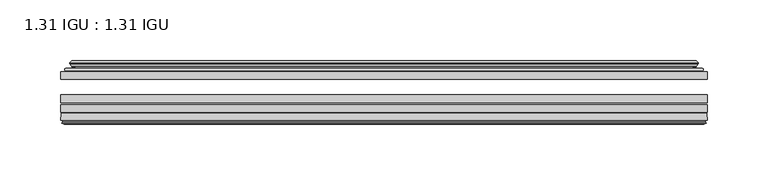
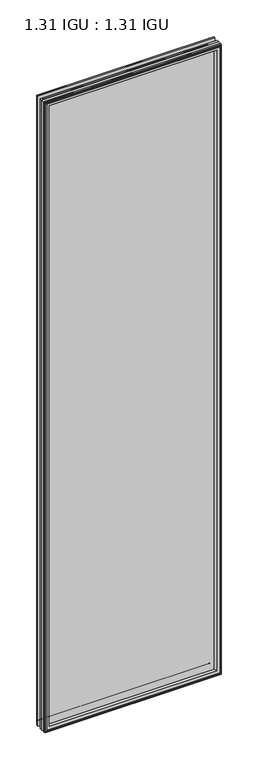
"""IFC4 building model written with IfcOpenShell, lengths in millimetres: plate geometry, 1.31 IGU : 1.31 IGU."""

from ifc_helpers import new_model, si_unit, frame, origin, place, context, project, spatial, polyline, ellipse_curve, outline, extrude, source, transform, mapped, element, save
from ifc_brep_helpers import plane_surface, cylinder_surface, revolved_surface, advanced_brep


def plate_1_31_igu_1_31_igu_19c1f340(model_context):
    return source(origin(), model_context, "Body", "SolidModel", [
        extrude(outline(polyline([(267.1382432, -51.7723437), (267.1382432, -58.1223438), (-267.20519, -58.1223438), (-267.20519, -51.7723437), (267.1382432, -51.7723437)])), frame((0.0, 0.0, -14.2875), z_axis=(0.0, 0.0, 1.0), x_axis=(1.0, 0.0, 0.0)), (0.0, 0.0, 1.0), 2010.3739057),
        extrude(outline(polyline([(-267.20519, -85.4273438), (-267.20519, -79.0773437), (267.1382432, -79.0773437), (267.1382432, -85.4273438), (-267.20519, -85.4273438)])), frame((0.0, 0.0, -14.2875), z_axis=(0.0, 0.0, 1.0), x_axis=(1.0, 0.0, 0.0)), (0.0, 0.0, 1.0), 2010.3739057),
        extrude(outline(polyline([(-267.20519, -77.1723438), (-267.20519, -70.8223438), (267.1382432, -70.8223438), (267.1382432, -77.1723438), (-267.20519, -77.1723438)])), frame((0.0, 0.0, -14.2875), z_axis=(0.0, 0.0, 1.0), x_axis=(1.0, 0.0, 0.0)), (0.0, 0.0, 1.0), 2010.3739057),
        advanced_brep(
        [(-267.21789, -91.7773437, 1996.0991057), (-266.5231062, -86.1187838, 1995.4043219), (-266.5231062, -86.1187838, -13.6054162), (-267.21789, -91.7773437, -14.3002), (-264.83029, -93.768408, 1993.7115057), (-265.28749, -91.7773437, 1994.1687057), (-265.28749, -91.7773437, -12.3698), (-264.83029, -93.768408, -11.9126), (-265.8316518, -93.5000939, 1994.7128676), (-265.8316518, -93.5000939, -12.9139619), (-266.07489, -94.407871, 1994.9561057), (-266.07489, -94.407871, -13.1572), (-264.04289, -94.9523437, 1992.9241057), (-264.04289, -94.9523437, -11.1252), (-262.01089, -94.407871, 1990.8921057), (-262.01089, -94.407871, -9.0932), (-262.2541281, -93.5000939, 1991.1353439), (-262.2541281, -93.5000939, -9.3364381), (-263.25549, -93.768408, 1992.1367057), (-263.25549, -93.768408, -10.3378), (-262.79829, -91.7773437, 1991.6795057), (-262.79829, -91.7773437, -9.8806), (-248.7286686, -85.4273437, 1977.6098843), (-252.91769, -91.7773437, 1981.7989057), (-252.91769, -91.7773437, 0.0), (-248.7286686, -85.4273437, 4.1890214), (-265.7415754, -85.4273437, 1994.6227911), (-265.7415754, -85.4273437, -12.8238854), (266.5231062, -86.1187838, -13.6054162), (267.21789, -91.7773437, -14.3002), (265.28749, -91.7773437, -12.3698), (264.83029, -93.768408, -11.9126), (265.8316518, -93.5000939, -12.9139619), (266.07489, -94.407871, -13.1572), (264.04289, -94.9523437, -11.1252), (262.01089, -94.407871, -9.0932), (262.2541281, -93.5000939, -9.3364381), (263.25549, -93.768408, -10.3378), (262.79829, -91.7773437, -9.8806), (252.91769, -91.7773437, 0.0), (248.7286686, -85.4273437, 4.1890214), (265.7415754, -85.4273437, -12.8238854), (266.5231062, -86.1187838, 1995.4043219), (267.21789, -91.7773437, 1996.0991057), (265.28749, -91.7773437, 1994.1687057), (264.83029, -93.768408, 1993.7115057), (265.8316518, -93.5000939, 1994.7128676), (266.07489, -94.407871, 1994.9561057), (264.04289, -94.9523437, 1992.9241057), (262.01089, -94.407871, 1990.8921057), (262.2541281, -93.5000939, 1991.1353439), (263.25549, -93.768408, 1992.1367057), (262.79829, -91.7773437, 1991.6795057), (252.91769, -91.7773437, 1981.7989057), (248.7286686, -85.4273437, 1977.6098843), (265.7415754, -85.4273437, 1994.6227911)],
        [
            (0, 1),
            (1, 2),
            (2, 3),
            (3, 0),
            (4, 5),
            (5, 6),
            (6, 7),
            (7, 4),
            (8, 4),
            (7, 9),
            (9, 8),
            (10, 8),
            (9, 11),
            (11, 10),
            (12, 10),
            (11, 13),
            (13, 12),
            (14, 12),
            (13, 15),
            (15, 14),
            (16, 14),
            (15, 17),
            (17, 16),
            (18, 16),
            (17, 19),
            (19, 18),
            (20, 18),
            (19, 21),
            (21, 20),
            (22, 23, ellipse_curve(frame((-245.933796, -91.8278132, 1974.8150118), z_axis=(0.7071067811865475, 0.0, 0.7071067811865475), x_axis=(0.7071067811865474, 0.0, -0.7071067811865476)), 9.8769754, 6.9840763)),
            (23, 24),
            (24, 25, ellipse_curve(frame((-245.933796, -91.8278132, 6.983894), z_axis=(0.7071067811865475, 0.0, -0.7071067811865475), x_axis=(-0.7071067811865474, 0.0, -0.7071067811865476)), 9.8769754, 6.9840763)),
            (25, 22),
            (1, 26, ellipse_curve(frame((-265.7415754, -86.2147437, 1994.6227911), z_axis=(-0.7071067811865475, 0.0, -0.7071067811865475), x_axis=(-0.7071067811865474, 0.0, 0.7071067811865476)), 1.1135518, 0.7874)),
            (26, 27),
            (27, 2, ellipse_curve(frame((-265.7415754, -86.2147437, -12.8238854), z_axis=(-0.7071067811865475, 0.0, 0.7071067811865475), x_axis=(0.7071067811865474, 0.0, 0.7071067811865476)), 1.1135518, 0.7874)),
            (2, 28),
            (28, 29),
            (29, 3),
            (6, 30),
            (30, 31),
            (31, 7),
            (31, 32),
            (32, 9),
            (32, 33),
            (33, 11),
            (33, 34),
            (34, 13),
            (34, 35),
            (35, 15),
            (35, 36),
            (36, 17),
            (36, 37),
            (37, 19),
            (37, 38),
            (38, 21),
            (24, 39),
            (39, 40, ellipse_curve(frame((245.933796, -91.8278132, 6.983894), z_axis=(0.7071067811865475, 0.0, 0.7071067811865475), x_axis=(0.7071067811865476, 0.0, -0.7071067811865474)), 9.8769754, 6.9840763)),
            (40, 25),
            (27, 41),
            (41, 28, ellipse_curve(frame((265.7415754, -86.2147437, -12.8238854), z_axis=(-0.7071067811865475, 0.0, -0.7071067811865475), x_axis=(-0.7071067811865476, 0.0, 0.7071067811865474)), 1.1135518, 0.7874)),
            (28, 42),
            (42, 43),
            (43, 29),
            (30, 44),
            (44, 45),
            (45, 31),
            (45, 46),
            (46, 32),
            (46, 47),
            (47, 33),
            (47, 48),
            (48, 34),
            (48, 49),
            (49, 35),
            (49, 50),
            (50, 36),
            (50, 51),
            (51, 37),
            (51, 52),
            (52, 38),
            (39, 53),
            (53, 54, ellipse_curve(frame((245.933796, -91.8278132, 1974.8150118), z_axis=(-0.7071067811865475, 0.0, 0.7071067811865475), x_axis=(0.7071067811865474, 0.0, 0.7071067811865476)), 9.8769754, 6.9840763)),
            (54, 40),
            (41, 55),
            (55, 42, ellipse_curve(frame((265.7415754, -86.2147437, 1994.6227911), z_axis=(0.7071067811865475, 0.0, -0.7071067811865475), x_axis=(-0.7071067811865474, 0.0, -0.7071067811865476)), 1.1135518, 0.7874)),
            (42, 1),
            (0, 43),
            (5, 44),
            (4, 45),
            (8, 46),
            (10, 47),
            (12, 48),
            (14, 49),
            (16, 50),
            (18, 51),
            (20, 52),
            (23, 53),
            (22, 54),
            (26, 55),
        ],
        [
            plane_surface(frame((-266.5231062, -86.1187838, 1995.4043219), z_axis=(-0.9925461516413241, 0.12186934340513103, 0.0), x_axis=(0.0, 0.0, -1.0))),
            plane_surface(frame((-265.28749, -91.7773437, 1994.1687057), z_axis=(-0.9746347637895992, -0.22380142361654515, 0.0), x_axis=(0.0, 0.0, -1.0))),
            plane_surface(frame((-264.83029, -93.768408, 1993.7115057), z_axis=(0.2588190451026678, 0.9659258262890289, 0.0), x_axis=(0.0, 0.0, -1.0))),
            plane_surface(frame((-265.8316518, -93.5000939, 1994.7128676), z_axis=(-0.9659258262890449, 0.2588190451026082, 0.0), x_axis=(0.0, 0.0, -1.0))),
            plane_surface(frame((-266.07489, -94.407871, 1994.9561057), z_axis=(-0.25881904510250453, -0.9659258262890728, 0.0), x_axis=(0.0, 0.0, -1.0))),
            plane_surface(frame((-264.04289, -94.9523437, 1992.9241057), z_axis=(0.25881904510247905, -0.9659258262890795, 0.0), x_axis=(0.0, 0.0, -1.0))),
            plane_surface(frame((-262.01089, -94.407871, 1990.8921057), z_axis=(0.9659258262890272, 0.2588190451026741, 0.0), x_axis=(0.0, 0.0, -1.0))),
            plane_surface(frame((-262.2541281, -93.5000939, 1991.1353439), z_axis=(-0.2588190451023418, 0.9659258262891163, 0.0), x_axis=(0.0, 0.0, -1.0))),
            plane_surface(frame((-263.25549, -93.768408, 1992.1367057), z_axis=(0.9746347637895937, -0.22380142361656946, 0.0), x_axis=(0.0, 0.0, -1.0))),
            revolved_surface(polyline([(-252.9178723, -91.8278132, -0.00018228295266453642), (-252.9178723, -91.8278132, 1981.7990880829527)]), (-245.933796, -91.8278132, 2013.5489057), (0.0, 0.0, -1.0)),
            cylinder_surface(frame((-265.7415754, -86.2147437, 2013.5489057), z_axis=(0.0, 0.0, 1.0), x_axis=(-1.0, 0.0, 0.0)), 0.7874),
            plane_surface(frame((-266.5231062, -86.1187838, -13.6054162), z_axis=(0.0, 0.12186934340512784, -0.9925461516413245), x_axis=(1.0, 0.0, 0.0))),
            plane_surface(frame((-265.28749, -91.7773437, -12.3698), z_axis=(0.0, -0.22380142361654828, -0.9746347637895986), x_axis=(1.0, 0.0, 0.0))),
            plane_surface(frame((-264.83029, -93.768408, -11.9126), z_axis=(0.0, 0.9659258262890298, 0.25881904510266474), x_axis=(1.0, 0.0, 0.0))),
            plane_surface(frame((-265.8316518, -93.5000939, -12.9139619), z_axis=(0.0, 0.2588190451026051, -0.9659258262890457), x_axis=(1.0, 0.0, 0.0))),
            plane_surface(frame((-266.07489, -94.407871, -13.1572), z_axis=(0.0, -0.9659258262890735, -0.2588190451025014), x_axis=(1.0, 0.0, 0.0))),
            plane_surface(frame((-264.04289, -94.9523437, -11.1252), z_axis=(0.0, -0.9659258262890787, 0.25881904510248216), x_axis=(1.0, 0.0, 0.0))),
            plane_surface(frame((-262.01089, -94.407871, -9.0932), z_axis=(0.0, 0.2588190451026772, 0.9659258262890265), x_axis=(1.0, 0.0, 0.0))),
            plane_surface(frame((-262.2541281, -93.5000939, -9.3364381), z_axis=(0.0, 0.9659258262891155, -0.25881904510234494), x_axis=(1.0, 0.0, 0.0))),
            plane_surface(frame((-263.25549, -93.768408, -10.3378), z_axis=(0.0, -0.22380142361656633, 0.9746347637895943), x_axis=(1.0, 0.0, 0.0))),
            revolved_surface(polyline([(252.91787228295277, -91.8278132, -0.00018229999999963553), (-252.91787228295271, -91.8278132, -0.00018229999999963553)]), (-284.66769, -91.8278132, 6.983894), (1.0, 0.0, 0.0)),
            cylinder_surface(frame((-284.66769, -86.2147437, -12.8238854), z_axis=(-1.0, 0.0, 0.0), x_axis=(0.0, 0.0, -1.0)), 0.7874),
            plane_surface(frame((266.5231062, -86.1187838, -13.6054162), z_axis=(0.992546151641325, 0.12186934340512465, 0.0), x_axis=(0.0, 0.0, 1.0))),
            plane_surface(frame((265.28749, -91.7773437, -12.3698), z_axis=(0.9746347637895978, -0.2238014236165514, 0.0), x_axis=(0.0, 0.0, 1.0))),
            plane_surface(frame((264.83029, -93.768408, -11.9126), z_axis=(-0.2588190451026616, 0.9659258262890306, 0.0), x_axis=(0.0, 0.0, 1.0))),
            plane_surface(frame((265.8316518, -93.5000939, -12.9139619), z_axis=(0.9659258262890466, 0.25881904510260206, 0.0), x_axis=(0.0, 0.0, 1.0))),
            plane_surface(frame((266.07489, -94.407871, -13.1572), z_axis=(0.2588190451024983, -0.9659258262890743, 0.0), x_axis=(0.0, 0.0, 1.0))),
            plane_surface(frame((264.04289, -94.9523437, -11.1252), z_axis=(-0.25881904510248527, -0.9659258262890779, 0.0), x_axis=(0.0, 0.0, 1.0))),
            plane_surface(frame((262.01089, -94.407871, -9.0932), z_axis=(-0.9659258262890257, 0.25881904510268033, 0.0), x_axis=(0.0, 0.0, 1.0))),
            plane_surface(frame((262.2541281, -93.5000939, -9.3364381), z_axis=(0.25881904510234804, 0.9659258262891147, 0.0), x_axis=(0.0, 0.0, 1.0))),
            plane_surface(frame((263.25549, -93.768408, -10.3378), z_axis=(-0.974634763789595, -0.2238014236165632, 0.0), x_axis=(0.0, 0.0, 1.0))),
            revolved_surface(polyline([(252.9178723, -91.8278132, 1981.7990880829527), (252.9178723, -91.8278132, -0.0001822829527107217)]), (245.933796, -91.8278132, -31.75), (0.0, 0.0, 1.0)),
            cylinder_surface(frame((265.7415754, -86.2147437, -31.75), z_axis=(0.0, 0.0, -1.0), x_axis=(1.0, 0.0, 0.0)), 0.7874),
            plane_surface(frame((266.5231062, -86.1187838, 1995.4043219), z_axis=(0.0, 0.12186934340512784, 0.9925461516413245), x_axis=(-1.0, 0.0, 0.0))),
            plane_surface(frame((267.21789, -91.7773437, 1996.0991057), z_axis=(0.0, -1.0, 0.0), x_axis=(-1.0, 0.0, 0.0))),
            plane_surface(frame((265.28749, -91.7773437, 1994.1687057), z_axis=(0.0, -0.22380142361654826, 0.9746347637895985), x_axis=(-1.0, 0.0, 0.0))),
            plane_surface(frame((264.83029, -93.768408, 1993.7115057), z_axis=(0.0, 0.9659258262890298, -0.25881904510266474), x_axis=(-1.0, 0.0, 0.0))),
            plane_surface(frame((265.8316518, -93.5000939, 1994.7128676), z_axis=(0.0, 0.25881904510260517, 0.9659258262890458), x_axis=(-1.0, 0.0, 0.0))),
            plane_surface(frame((266.07489, -94.407871, 1994.9561057), z_axis=(0.0, -0.9659258262890735, 0.2588190451025014), x_axis=(-1.0, 0.0, 0.0))),
            plane_surface(frame((264.04289, -94.9523437, 1992.9241057), z_axis=(0.0, -0.9659258262890786, -0.25881904510248216), x_axis=(-1.0, 0.0, 0.0))),
            plane_surface(frame((262.01089, -94.407871, 1990.8921057), z_axis=(0.0, 0.2588190451026772, -0.9659258262890265), x_axis=(-1.0, 0.0, 0.0))),
            plane_surface(frame((262.2541281, -93.5000939, 1991.1353439), z_axis=(0.0, 0.9659258262891155, 0.25881904510234494), x_axis=(-1.0, 0.0, 0.0))),
            plane_surface(frame((263.25549, -93.768408, 1992.1367057), z_axis=(0.0, -0.22380142361656633, -0.9746347637895943), x_axis=(-1.0, 0.0, 0.0))),
            plane_surface(frame((262.79829, -91.7773437, 1991.6795057), z_axis=(0.0, -1.0, 0.0), x_axis=(-1.0, 0.0, 0.0))),
            revolved_surface(polyline([(-252.91787228295277, -91.8278132, 1981.7990881), (252.91787228295271, -91.8278132, 1981.7990881)]), (284.66769, -91.8278132, 1974.8150118), (-1.0, 0.0, 0.0)),
            plane_surface(frame((248.7286686, -85.4273437, 1977.6098843), z_axis=(0.0, 1.0, 0.0), x_axis=(-1.0, 0.0, 0.0))),
            cylinder_surface(frame((284.66769, -86.2147437, 1994.6227911), z_axis=(1.0, 0.0, 0.0), x_axis=(0.0, 0.0, 1.0)), 0.7874),
        ],
        [
            (0, [[1, 2, 3, 4]]),
            (1, [[5, 6, 7, 8]]),
            (2, [[9, -8, 10, 11]]),
            (3, [[12, -11, 13, 14]]),
            (4, [[15, -14, 16, 17]]),
            (5, [[18, -17, 19, 20]]),
            (6, [[21, -20, 22, 23]]),
            (7, [[24, -23, 25, 26]]),
            (8, [[27, -26, 28, 29]]),
            (9, [[30, 31, 32, 33]]),
            (10, [[34, 35, 36, -2]]),
            (11, [[-3, 37, 38, 39]]),
            (12, [[-7, 40, 41, 42]]),
            (13, [[-10, -42, 43, 44]]),
            (14, [[-13, -44, 45, 46]]),
            (15, [[-16, -46, 47, 48]]),
            (16, [[-19, -48, 49, 50]]),
            (17, [[-22, -50, 51, 52]]),
            (18, [[-25, -52, 53, 54]]),
            (19, [[-28, -54, 55, 56]]),
            (20, [[-32, 57, 58, 59]]),
            (21, [[-36, 60, 61, -37]]),
            (22, [[-38, 62, 63, 64]]),
            (23, [[-41, 65, 66, 67]]),
            (24, [[-43, -67, 68, 69]]),
            (25, [[-45, -69, 70, 71]]),
            (26, [[-47, -71, 72, 73]]),
            (27, [[-49, -73, 74, 75]]),
            (28, [[-51, -75, 76, 77]]),
            (29, [[-53, -77, 78, 79]]),
            (30, [[-55, -79, 80, 81]]),
            (31, [[-58, 82, 83, 84]]),
            (32, [[-61, 85, 86, -62]]),
            (33, [[-63, 87, -1, 88]]),
            (34, [[-39, -64, -88, -4], [89, -65, -40, -6]]),
            (35, [[-66, -89, -5, 90]]),
            (36, [[-68, -90, -9, 91]]),
            (37, [[-70, -91, -12, 92]]),
            (38, [[-72, -92, -15, 93]]),
            (39, [[-74, -93, -18, 94]]),
            (40, [[-76, -94, -21, 95]]),
            (41, [[-78, -95, -24, 96]]),
            (42, [[-80, -96, -27, 97]]),
            (43, [[-56, -81, -97, -29], [98, -82, -57, -31]]),
            (44, [[-83, -98, -30, 99]]),
            (45, [[100, -85, -60, -35], [-59, -84, -99, -33]]),
            (46, [[-86, -100, -34, -87]]),
        ],
    ),
        advanced_brep(
        [(-248.8699802, -50.6812421, 1977.7511959), (-249.3117904, -51.7723437, 1978.1930061), (-249.3117904, -51.7723437, 3.6058996), (-248.8699802, -50.6812421, 4.0477098), (-252.91769, -42.9585437, 1981.7989057), (-252.91769, -42.9585437, 0.0), (-258.1036009, -44.1396428, 1986.9848166), (-258.1036009, -44.1396428, -5.1859109), (-257.7740256, -43.3125262, 1986.6552413), (-257.7740256, -43.3125262, -4.8563356), (-257.7740256, -42.4982749, 1986.6552413), (-257.7740256, -42.4982749, -4.8563356), (-259.590301, -44.4569108, 1988.4715168), (-259.590301, -44.4569108, -6.6726111), (-259.590301, -45.1700367, 1988.4715168), (-259.590301, -45.1700367, -6.6726111), (-257.7740256, -47.1188911, 1986.6552413), (-257.7740256, -47.1188911, -4.8563356), (-257.7740256, -46.3144213, 1986.6552413), (-257.7740256, -46.3144213, -4.8563356), (-258.0959401, -45.5065305, 1986.9771558), (-258.0959401, -45.5065305, -5.1782501), (-255.5721279, -45.3481387, 1984.4533436), (-255.5721279, -45.3481387, -2.6544379), (-254.5463116, -46.0358481, 1983.4275274), (-254.5463116, -46.0358481, -1.6286217), (-254.6647188, -47.4303169, 1983.5459346), (-254.6647188, -47.4303169, -1.7470288), (-255.2664647, -48.9275437, 1984.1476805), (-255.2664647, -48.9275437, -2.3487748), (-263.1922453, -50.8359667, 1992.0734611), (-262.7066145, -48.9275437, 1991.5878302), (-262.7066145, -48.9275437, -9.7889245), (-263.1922453, -50.8359667, -10.2745553), (-261.4715054, -51.7723437, 1990.3527212), (-261.4715054, -51.7723437, -8.5538155), (249.3117904, -51.7723437, 3.6058996), (248.8699802, -50.6812421, 4.0477098), (252.91769, -42.9585437, 0.0), (258.1036009, -44.1396428, -5.1859109), (257.7740256, -43.3125262, -4.8563356), (257.7740256, -42.4982749, -4.8563356), (259.590301, -44.4569108, -6.6726111), (259.590301, -45.1700367, -6.6726111), (257.7740256, -47.1188911, -4.8563356), (257.7740256, -46.3144213, -4.8563356), (258.0959401, -45.5065305, -5.1782501), (255.5721279, -45.3481387, -2.6544379), (254.5463116, -46.0358481, -1.6286217), (254.6647188, -47.4303169, -1.7470288), (255.2664647, -48.9275437, -2.3487748), (262.7066145, -48.9275437, -9.7889245), (263.1922453, -50.8359667, -10.2745553), (261.4715054, -51.7723437, -8.5538155), (249.3117904, -51.7723437, 1978.1930061), (248.8699802, -50.6812421, 1977.7511959), (252.91769, -42.9585437, 1981.7989057), (258.1036009, -44.1396428, 1986.9848166), (257.7740256, -43.3125262, 1986.6552413), (257.7740256, -42.4982749, 1986.6552413), (259.590301, -44.4569108, 1988.4715168), (259.590301, -45.1700367, 1988.4715168), (257.7740256, -47.1188911, 1986.6552413), (257.7740256, -46.3144213, 1986.6552413), (258.0959401, -45.5065305, 1986.9771558), (255.5721279, -45.3481387, 1984.4533436), (254.5463116, -46.0358481, 1983.4275274), (254.6647188, -47.4303169, 1983.5459346), (255.2664647, -48.9275437, 1984.1476805), (262.7066145, -48.9275437, 1991.5878302), (263.1922453, -50.8359667, 1992.0734611), (261.4715054, -51.7723437, 1990.3527212)],
        [
            (0, 1, ellipse_curve(frame((-249.3117904, -51.1373437, 1978.1930061), z_axis=(-0.7071067811865475, 0.0, -0.7071067811865475), x_axis=(-0.7071067811865474, 0.0, 0.7071067811865476)), 0.8980256, 0.635)),
            (1, 2),
            (2, 3, ellipse_curve(frame((-249.3117904, -51.1373437, 3.6058996), z_axis=(-0.7071067811865475, 0.0, 0.7071067811865475), x_axis=(0.7071067811865474, 0.0, 0.7071067811865476)), 0.8980256, 0.635)),
            (3, 0),
            (4, 0, ellipse_curve(frame((-239.1848954, -40.6828682, 1968.0661111), z_axis=(0.7071067811865475, 0.0, 0.7071067811865475), x_axis=(0.7071067811865474, 0.0, -0.7071067811865476)), 19.6859517, 13.9200699)),
            (3, 5, ellipse_curve(frame((-239.1848954, -40.6828682, 13.7327946), z_axis=(0.7071067811865475, 0.0, -0.7071067811865475), x_axis=(-0.7071067811865474, 0.0, -0.7071067811865476)), 19.6859517, 13.9200699)),
            (5, 4),
            (6, 4),
            (5, 7),
            (7, 6),
            (8, 6),
            (7, 9),
            (9, 8),
            (10, 8),
            (9, 11),
            (11, 10),
            (12, 10),
            (11, 13),
            (13, 12),
            (14, 12, ellipse_curve(frame((-259.2284629, -44.8134737, 1988.1096786), z_axis=(-0.7071067811865475, 0.0, -0.7071067811865475), x_axis=(-0.7071067811865474, 0.0, 0.7071067811865476)), 0.7184205, 0.508)),
            (13, 15, ellipse_curve(frame((-259.2284629, -44.8134737, -6.3107729), z_axis=(-0.7071067811865475, 0.0, 0.7071067811865475), x_axis=(0.7071067811865474, 0.0, 0.7071067811865476)), 0.7184205, 0.508)),
            (15, 14),
            (16, 14),
            (15, 17),
            (17, 16),
            (18, 16),
            (17, 19),
            (19, 18),
            (20, 18),
            (19, 21),
            (21, 20),
            (22, 20),
            (21, 23),
            (23, 22),
            (24, 22, ellipse_curve(frame((-255.50849, -46.3621437, 1984.3897057), z_axis=(0.7071067811865475, 0.0, 0.7071067811865475), x_axis=(0.7071067811865474, 0.0, -0.7071067811865476)), 1.436841, 1.016)),
            (23, 25, ellipse_curve(frame((-255.50849, -46.3621437, -2.5908), z_axis=(0.7071067811865475, 0.0, -0.7071067811865475), x_axis=(-0.7071067811865474, 0.0, -0.7071067811865476)), 1.436841, 1.016)),
            (25, 24),
            (26, 24, ellipse_curve(frame((-256.88009, -46.5399437, 1985.7613057), z_axis=(0.7071067811865475, 0.0, 0.7071067811865475), x_axis=(0.7071067811865474, 0.0, -0.7071067811865476)), 3.3765763, 2.3876)),
            (25, 27, ellipse_curve(frame((-256.88009, -46.5399437, -3.9624), z_axis=(0.7071067811865475, 0.0, -0.7071067811865475), x_axis=(-0.7071067811865474, 0.0, -0.7071067811865476)), 3.3765763, 2.3876)),
            (27, 26),
            (28, 26),
            (27, 29),
            (29, 28),
            (30, 31, ellipse_curve(frame((-262.7066145, -49.9435437, 1991.5878302), z_axis=(-0.7071067811865475, 0.0, -0.7071067811865475), x_axis=(-0.7071067811865474, 0.0, 0.7071067811865476)), 1.436841, 1.016)),
            (31, 32),
            (32, 33, ellipse_curve(frame((-262.7066145, -49.9435437, -9.7889245), z_axis=(-0.7071067811865475, 0.0, 0.7071067811865475), x_axis=(0.7071067811865474, 0.0, 0.7071067811865476)), 1.436841, 1.016)),
            (33, 30),
            (34, 30),
            (33, 35),
            (35, 34),
            (2, 36),
            (36, 37, ellipse_curve(frame((249.3117904, -51.1373437, 3.6058996), z_axis=(-0.7071067811865475, 0.0, -0.7071067811865475), x_axis=(-0.7071067811865476, 0.0, 0.7071067811865474)), 0.8980256, 0.635)),
            (37, 3),
            (37, 38, ellipse_curve(frame((239.1848954, -40.6828682, 13.7327946), z_axis=(0.7071067811865475, 0.0, 0.7071067811865475), x_axis=(0.7071067811865476, 0.0, -0.7071067811865474)), 19.6859517, 13.9200699)),
            (38, 5),
            (38, 39),
            (39, 7),
            (39, 40),
            (40, 9),
            (40, 41),
            (41, 11),
            (41, 42),
            (42, 13),
            (42, 43, ellipse_curve(frame((259.2284629, -44.8134737, -6.3107729), z_axis=(-0.7071067811865475, 0.0, -0.7071067811865475), x_axis=(-0.7071067811865476, 0.0, 0.7071067811865474)), 0.7184205, 0.508)),
            (43, 15),
            (43, 44),
            (44, 17),
            (44, 45),
            (45, 19),
            (45, 46),
            (46, 21),
            (46, 47),
            (47, 23),
            (47, 48, ellipse_curve(frame((255.50849, -46.3621437, -2.5908), z_axis=(0.7071067811865475, 0.0, 0.7071067811865475), x_axis=(0.7071067811865476, 0.0, -0.7071067811865474)), 1.436841, 1.016)),
            (48, 25),
            (48, 49, ellipse_curve(frame((256.88009, -46.5399437, -3.9624), z_axis=(0.7071067811865475, 0.0, 0.7071067811865475), x_axis=(0.7071067811865476, 0.0, -0.7071067811865474)), 3.3765763, 2.3876)),
            (49, 27),
            (49, 50),
            (50, 29),
            (32, 51),
            (51, 52, ellipse_curve(frame((262.7066145, -49.9435437, -9.7889245), z_axis=(-0.7071067811865475, 0.0, -0.7071067811865475), x_axis=(-0.7071067811865476, 0.0, 0.7071067811865474)), 1.436841, 1.016)),
            (52, 33),
            (52, 53),
            (53, 35),
            (36, 54),
            (54, 55, ellipse_curve(frame((249.3117904, -51.1373437, 1978.1930061), z_axis=(0.7071067811865475, 0.0, -0.7071067811865475), x_axis=(-0.7071067811865474, 0.0, -0.7071067811865476)), 0.8980256, 0.635)),
            (55, 37),
            (55, 56, ellipse_curve(frame((239.1848954, -40.6828682, 1968.0661111), z_axis=(-0.7071067811865475, 0.0, 0.7071067811865475), x_axis=(0.7071067811865474, 0.0, 0.7071067811865476)), 19.6859517, 13.9200699)),
            (56, 38),
            (56, 57),
            (57, 39),
            (57, 58),
            (58, 40),
            (58, 59),
            (59, 41),
            (59, 60),
            (60, 42),
            (60, 61, ellipse_curve(frame((259.2284629, -44.8134737, 1988.1096786), z_axis=(0.7071067811865475, 0.0, -0.7071067811865475), x_axis=(-0.7071067811865474, 0.0, -0.7071067811865476)), 0.7184205, 0.508)),
            (61, 43),
            (61, 62),
            (62, 44),
            (62, 63),
            (63, 45),
            (63, 64),
            (64, 46),
            (64, 65),
            (65, 47),
            (65, 66, ellipse_curve(frame((255.50849, -46.3621437, 1984.3897057), z_axis=(-0.7071067811865475, 0.0, 0.7071067811865475), x_axis=(0.7071067811865474, 0.0, 0.7071067811865476)), 1.436841, 1.016)),
            (66, 48),
            (66, 67, ellipse_curve(frame((256.88009, -46.5399437, 1985.7613057), z_axis=(-0.7071067811865475, 0.0, 0.7071067811865475), x_axis=(0.7071067811865474, 0.0, 0.7071067811865476)), 3.3765763, 2.3876)),
            (67, 49),
            (67, 68),
            (68, 50),
            (51, 69),
            (69, 70, ellipse_curve(frame((262.7066145, -49.9435437, 1991.5878302), z_axis=(0.7071067811865475, 0.0, -0.7071067811865475), x_axis=(-0.7071067811865474, 0.0, -0.7071067811865476)), 1.436841, 1.016)),
            (70, 52),
            (70, 71),
            (71, 53),
            (54, 1),
            (0, 55),
            (4, 56),
            (6, 57),
            (8, 58),
            (10, 59),
            (12, 60),
            (14, 61),
            (16, 62),
            (18, 63),
            (20, 64),
            (22, 65),
            (24, 66),
            (26, 67),
            (28, 68),
            (31, 69),
            (30, 70),
            (34, 71),
        ],
        [
            cylinder_surface(frame((-249.3117904, -51.1373437, 2013.5489057), z_axis=(0.0, 0.0, 1.0), x_axis=(-1.0, 0.0, 0.0)), 0.635),
            revolved_surface(polyline([(-253.10496529999998, -40.6828682, -0.18727534118079348), (-253.10496529999998, -40.6828682, 1981.9861810411808)]), (-239.1848954, -40.6828682, 2013.5489057), (0.0, 0.0, -1.0)),
            plane_surface(frame((-252.91769, -42.9585437, 1981.7989057), z_axis=(-0.22206498442778808, 0.9750318675259215, 0.0), x_axis=(0.0, 0.0, -1.0))),
            plane_surface(frame((-258.1036009, -44.1396428, 1986.9848166), z_axis=(0.9289682685629942, -0.3701593656833133, 0.0), x_axis=(0.0, 0.0, -1.0))),
            plane_surface(frame((-257.7740256, -43.3125262, 1986.6552413), z_axis=(1.0, 0.0, 0.0), x_axis=(0.0, 0.0, -1.0))),
            plane_surface(frame((-257.7740256, -42.4982749, 1986.6552413), z_axis=(-0.7332521292723948, 0.6799568478348454, 0.0), x_axis=(0.0, 0.0, -1.0))),
            cylinder_surface(frame((-259.2284629, -44.8134737, 2013.5489057), z_axis=(0.0, 0.0, 1.0), x_axis=(-1.0, 0.0, 0.0)), 0.508),
            plane_surface(frame((-259.590301, -45.1700367, 1988.4715168), z_axis=(-0.7315522693036389, -0.6817853601220082, 0.0), x_axis=(0.0, 0.0, -1.0))),
            plane_surface(frame((-257.7740256, -47.1188911, 1986.6552413), z_axis=(1.0, 0.0, 0.0), x_axis=(0.0, 0.0, -1.0))),
            plane_surface(frame((-257.7740256, -46.3144213, 1986.6552413), z_axis=(0.9289682685631103, 0.37015936568302166, 0.0), x_axis=(0.0, 0.0, -1.0))),
            plane_surface(frame((-258.0959401, -45.5065305, 1986.9771558), z_axis=(0.06263570119321647, -0.9980364567169048, 0.0), x_axis=(0.0, 0.0, -1.0))),
            revolved_surface(polyline([(-256.52449, -46.3621437, -3.6068000145867245), (-256.52449, -46.3621437, 1985.4057057145867)]), (-255.50849, -46.3621437, 2013.5489057), (0.0, 0.0, -1.0)),
            revolved_surface(polyline([(-259.26769, -46.5399437, -6.3499999989237494), (-259.26769, -46.5399437, 1988.148905698924)]), (-256.88009, -46.5399437, 2013.5489057), (0.0, 0.0, -1.0)),
            plane_surface(frame((-254.6647188, -47.4303169, 1983.5459346), z_axis=(-0.927865292542892, 0.3729155385530262, 0.0), x_axis=(0.0, 0.0, -1.0))),
            cylinder_surface(frame((-262.7066145, -49.9435437, 2013.5489057), z_axis=(0.0, 0.0, 1.0), x_axis=(-1.0, 0.0, 0.0)), 1.016),
            plane_surface(frame((-263.1922453, -50.8359667, 1992.0734611), z_axis=(-0.477983117370979, -0.8783690223979447, 0.0), x_axis=(0.0, 0.0, -1.0))),
            cylinder_surface(frame((-284.66769, -51.1373437, 3.6058996), z_axis=(-1.0, 0.0, 0.0), x_axis=(0.0, 0.0, -1.0)), 0.635),
            revolved_surface(polyline([(253.1049653411808, -40.6828682, -0.1872752999999996), (-253.10496534118084, -40.6828682, -0.1872752999999996)]), (-284.66769, -40.6828682, 13.7327946), (1.0, 0.0, 0.0)),
            plane_surface(frame((-252.91769, -42.9585437, 0.0), z_axis=(0.0, 0.9750318675259209, -0.2220649844277912), x_axis=(1.0, 0.0, 0.0))),
            plane_surface(frame((-258.1036009, -44.1396428, -5.1859109), z_axis=(0.0, -0.3701593656833103, 0.9289682685629954), x_axis=(1.0, 0.0, 0.0))),
            plane_surface(frame((-257.7740256, -43.3125262, -4.8563356), z_axis=(0.0, 0.0, 1.0), x_axis=(1.0, 0.0, 0.0))),
            plane_surface(frame((-257.7740256, -42.4982749, -4.8563356), z_axis=(0.0, 0.6799568478348431, -0.733252129272397), x_axis=(1.0, 0.0, 0.0))),
            cylinder_surface(frame((-284.66769, -44.8134737, -6.3107729), z_axis=(-1.0, 0.0, 0.0), x_axis=(0.0, 0.0, -1.0)), 0.508),
            plane_surface(frame((-259.590301, -45.1700367, -6.6726111), z_axis=(0.0, -0.6817853601220105, -0.7315522693036367), x_axis=(1.0, 0.0, 0.0))),
            plane_surface(frame((-257.7740256, -47.1188911, -4.8563356), z_axis=(0.0, 0.0, 1.0), x_axis=(1.0, 0.0, 0.0))),
            plane_surface(frame((-257.7740256, -46.3144213, -4.8563356), z_axis=(0.0, 0.37015936568302465, 0.9289682685631091), x_axis=(1.0, 0.0, 0.0))),
            plane_surface(frame((-258.0959401, -45.5065305, -5.1782501), z_axis=(0.0, -0.9980364567169046, 0.06263570119321968), x_axis=(1.0, 0.0, 0.0))),
            revolved_surface(polyline([(256.52449001458683, -46.3621437, -3.6068000000000002), (-256.52449001458683, -46.3621437, -3.6068000000000002)]), (-284.66769, -46.3621437, -2.5908), (1.0, 0.0, 0.0)),
            revolved_surface(polyline([(259.26768999892374, -46.5399437, -6.35), (-259.2676899989238, -46.5399437, -6.35)]), (-284.66769, -46.5399437, -3.9624), (1.0, 0.0, 0.0)),
            plane_surface(frame((-254.6647188, -47.4303169, -1.7470288), z_axis=(0.0, 0.37291553855302323, -0.9278652925428932), x_axis=(1.0, 0.0, 0.0))),
            cylinder_surface(frame((-284.66769, -49.9435437, -9.7889245), z_axis=(-1.0, 0.0, 0.0), x_axis=(0.0, 0.0, -1.0)), 1.016),
            plane_surface(frame((-263.1922453, -50.8359667, -10.2745553), z_axis=(0.0, -0.8783690223979462, -0.47798311737097615), x_axis=(1.0, 0.0, 0.0))),
            cylinder_surface(frame((249.3117904, -51.1373437, -31.75), z_axis=(0.0, 0.0, -1.0), x_axis=(1.0, 0.0, 0.0)), 0.635),
            revolved_surface(polyline([(253.10496529999998, -40.6828682, 1981.9861810411808), (253.10496529999998, -40.6828682, -0.1872753411808432)]), (239.1848954, -40.6828682, -31.75), (0.0, 0.0, 1.0)),
            plane_surface(frame((252.91769, -42.9585437, 0.0), z_axis=(0.22206498442779435, 0.9750318675259202, 0.0), x_axis=(0.0, 0.0, 1.0))),
            plane_surface(frame((258.1036009, -44.1396428, -5.1859109), z_axis=(-0.9289682685629966, -0.3701593656833073, 0.0), x_axis=(0.0, 0.0, 1.0))),
            plane_surface(frame((257.7740256, -43.3125262, -4.8563356), z_axis=(-1.0, 0.0, 0.0), x_axis=(0.0, 0.0, 1.0))),
            plane_surface(frame((257.7740256, -42.4982749, -4.8563356), z_axis=(0.7332521292723992, 0.6799568478348408, 0.0), x_axis=(0.0, 0.0, 1.0))),
            cylinder_surface(frame((259.2284629, -44.8134737, -31.75), z_axis=(0.0, 0.0, -1.0), x_axis=(1.0, 0.0, 0.0)), 0.508),
            plane_surface(frame((259.590301, -45.1700367, -6.6726111), z_axis=(0.7315522693036345, -0.6817853601220129, 0.0), x_axis=(0.0, 0.0, 1.0))),
            plane_surface(frame((257.7740256, -47.1188911, -4.8563356), z_axis=(-1.0, 0.0, 0.0), x_axis=(0.0, 0.0, 1.0))),
            plane_surface(frame((257.7740256, -46.3144213, -4.8563356), z_axis=(-0.928968268563108, 0.3701593656830277, 0.0), x_axis=(0.0, 0.0, 1.0))),
            plane_surface(frame((258.0959401, -45.5065305, -5.1782501), z_axis=(-0.06263570119322288, -0.9980364567169043, 0.0), x_axis=(0.0, 0.0, 1.0))),
            revolved_surface(polyline([(256.52449, -46.3621437, 1985.4057057145867), (256.52449, -46.3621437, -3.606800014586863)]), (255.50849, -46.3621437, -31.75), (0.0, 0.0, 1.0)),
            revolved_surface(polyline([(259.26769, -46.5399437, 1988.148905698924), (259.26769, -46.5399437, -6.349999998923781)]), (256.88009, -46.5399437, -31.75), (0.0, 0.0, 1.0)),
            plane_surface(frame((254.6647188, -47.4303169, -1.7470288), z_axis=(0.9278652925428944, 0.37291553855302023, 0.0), x_axis=(0.0, 0.0, 1.0))),
            cylinder_surface(frame((262.7066145, -49.9435437, -31.75), z_axis=(0.0, 0.0, -1.0), x_axis=(1.0, 0.0, 0.0)), 1.016),
            plane_surface(frame((263.1922453, -50.8359667, -10.2745553), z_axis=(0.4779831173709733, -0.8783690223979478, 0.0), x_axis=(0.0, 0.0, 1.0))),
            cylinder_surface(frame((284.66769, -51.1373437, 1978.1930061), z_axis=(1.0, 0.0, 0.0), x_axis=(0.0, 0.0, 1.0)), 0.635),
            revolved_surface(polyline([(-253.1049653411808, -40.6828682, 1981.986181), (253.10496534118084, -40.6828682, 1981.986181)]), (284.66769, -40.6828682, 1968.0661111), (-1.0, 0.0, 0.0)),
            plane_surface(frame((252.91769, -42.9585437, 1981.7989057), z_axis=(0.0, 0.9750318675259209, 0.2220649844277912), x_axis=(-1.0, 0.0, 0.0))),
            plane_surface(frame((258.1036009, -44.1396428, 1986.9848166), z_axis=(0.0, -0.3701593656833103, -0.9289682685629954), x_axis=(-1.0, 0.0, 0.0))),
            plane_surface(frame((257.7740256, -43.3125262, 1986.6552413), z_axis=(0.0, 0.0, -1.0), x_axis=(-1.0, 0.0, 0.0))),
            plane_surface(frame((257.7740256, -42.4982749, 1986.6552413), z_axis=(0.0, 0.6799568478348431, 0.733252129272397), x_axis=(-1.0, 0.0, 0.0))),
            cylinder_surface(frame((284.66769, -44.8134737, 1988.1096786), z_axis=(1.0, 0.0, 0.0), x_axis=(0.0, 0.0, 1.0)), 0.508),
            plane_surface(frame((259.590301, -45.1700367, 1988.4715168), z_axis=(0.0, -0.6817853601220105, 0.7315522693036367), x_axis=(-1.0, 0.0, 0.0))),
            plane_surface(frame((257.7740256, -47.1188911, 1986.6552413), z_axis=(0.0, 0.0, -1.0), x_axis=(-1.0, 0.0, 0.0))),
            plane_surface(frame((257.7740256, -46.3144213, 1986.6552413), z_axis=(0.0, 0.3701593656830247, -0.9289682685631092), x_axis=(-1.0, 0.0, 0.0))),
            plane_surface(frame((258.0959401, -45.5065305, 1986.9771558), z_axis=(0.0, -0.9980364567169046, -0.06263570119321968), x_axis=(-1.0, 0.0, 0.0))),
            revolved_surface(polyline([(-256.52449001458683, -46.3621437, 1985.4057057), (256.52449001458683, -46.3621437, 1985.4057057)]), (284.66769, -46.3621437, 1984.3897057), (-1.0, 0.0, 0.0)),
            revolved_surface(polyline([(-259.26768999892374, -46.5399437, 1988.1489057000001), (259.2676899989238, -46.5399437, 1988.1489057000001)]), (284.66769, -46.5399437, 1985.7613057), (-1.0, 0.0, 0.0)),
            plane_surface(frame((254.6647188, -47.4303169, 1983.5459346), z_axis=(0.0, 0.37291553855302323, 0.9278652925428932), x_axis=(-1.0, 0.0, 0.0))),
            plane_surface(frame((255.2664647, -48.9275437, 1984.1476805), z_axis=(0.0, 1.0, 0.0), x_axis=(-1.0, 0.0, 0.0))),
            cylinder_surface(frame((284.66769, -49.9435437, 1991.5878302), z_axis=(1.0, 0.0, 0.0), x_axis=(0.0, 0.0, 1.0)), 1.016),
            plane_surface(frame((263.1922453, -50.8359667, 1992.0734611), z_axis=(0.0, -0.8783690223979462, 0.47798311737097615), x_axis=(-1.0, 0.0, 0.0))),
            plane_surface(frame((261.4715054, -51.7723437, 1990.3527212), z_axis=(0.0, -1.0, 0.0), x_axis=(-1.0, 0.0, 0.0))),
        ],
        [
            (0, [[1, 2, 3, 4]]),
            (1, [[5, -4, 6, 7]]),
            (2, [[8, -7, 9, 10]]),
            (3, [[11, -10, 12, 13]]),
            (4, [[14, -13, 15, 16]]),
            (5, [[17, -16, 18, 19]]),
            (6, [[20, -19, 21, 22]]),
            (7, [[23, -22, 24, 25]]),
            (8, [[26, -25, 27, 28]]),
            (9, [[29, -28, 30, 31]]),
            (10, [[32, -31, 33, 34]]),
            (11, [[35, -34, 36, 37]]),
            (12, [[38, -37, 39, 40]]),
            (13, [[41, -40, 42, 43]]),
            (14, [[44, 45, 46, 47]]),
            (15, [[48, -47, 49, 50]]),
            (16, [[-3, 51, 52, 53]]),
            (17, [[-6, -53, 54, 55]]),
            (18, [[-9, -55, 56, 57]]),
            (19, [[-12, -57, 58, 59]]),
            (20, [[-15, -59, 60, 61]]),
            (21, [[-18, -61, 62, 63]]),
            (22, [[-21, -63, 64, 65]]),
            (23, [[-24, -65, 66, 67]]),
            (24, [[-27, -67, 68, 69]]),
            (25, [[-30, -69, 70, 71]]),
            (26, [[-33, -71, 72, 73]]),
            (27, [[-36, -73, 74, 75]]),
            (28, [[-39, -75, 76, 77]]),
            (29, [[-42, -77, 78, 79]]),
            (30, [[-46, 80, 81, 82]]),
            (31, [[-49, -82, 83, 84]]),
            (32, [[-52, 85, 86, 87]]),
            (33, [[-54, -87, 88, 89]]),
            (34, [[-56, -89, 90, 91]]),
            (35, [[-58, -91, 92, 93]]),
            (36, [[-60, -93, 94, 95]]),
            (37, [[-62, -95, 96, 97]]),
            (38, [[-64, -97, 98, 99]]),
            (39, [[-66, -99, 100, 101]]),
            (40, [[-68, -101, 102, 103]]),
            (41, [[-70, -103, 104, 105]]),
            (42, [[-72, -105, 106, 107]]),
            (43, [[-74, -107, 108, 109]]),
            (44, [[-76, -109, 110, 111]]),
            (45, [[-78, -111, 112, 113]]),
            (46, [[-81, 114, 115, 116]]),
            (47, [[-83, -116, 117, 118]]),
            (48, [[-86, 119, -1, 120]]),
            (49, [[-88, -120, -5, 121]]),
            (50, [[-90, -121, -8, 122]]),
            (51, [[-92, -122, -11, 123]]),
            (52, [[-94, -123, -14, 124]]),
            (53, [[-96, -124, -17, 125]]),
            (54, [[-98, -125, -20, 126]]),
            (55, [[-100, -126, -23, 127]]),
            (56, [[-102, -127, -26, 128]]),
            (57, [[-104, -128, -29, 129]]),
            (58, [[-106, -129, -32, 130]]),
            (59, [[-108, -130, -35, 131]]),
            (60, [[-110, -131, -38, 132]]),
            (61, [[-112, -132, -41, 133]]),
            (62, [[134, -114, -80, -45], [-79, -113, -133, -43]]),
            (63, [[-115, -134, -44, 135]]),
            (64, [[-117, -135, -48, 136]]),
            (65, [[-84, -118, -136, -50], [-119, -85, -51, -2]]),
        ],
    ),
    ])


if __name__ == "__main__":
    model = new_model("IFC4")
    model_context = context("Model", 3, world=origin())
    ifc_project = project(units=[si_unit("LENGTHUNIT", "METRE", prefix="MILLI")], contexts=[model_context])
    site = spatial("IfcSite", under=ifc_project)
    building = spatial("IfcBuilding", under=site)
    placement = place(None, origin())
    plate_1_31_igu_1_31_igu_shape = plate_1_31_igu_1_31_igu_19c1f340(model_context)
    element("IfcPlate", 1, ObjectType="1.31 IGU : 1.31 IGU", at=placement, inside=building, context=model_context, shape_type="MappedRepresentation", body=[
        mapped(plate_1_31_igu_1_31_igu_shape, transform((0.0, 0.0, 0.0), x_axis=(1.0, 0.0, 0.0), y_axis=(0.0, 1.0, 0.0), z_axis=(0.0, 0.0, 1.0))),
    ])
    save(model, "model.ifc")
